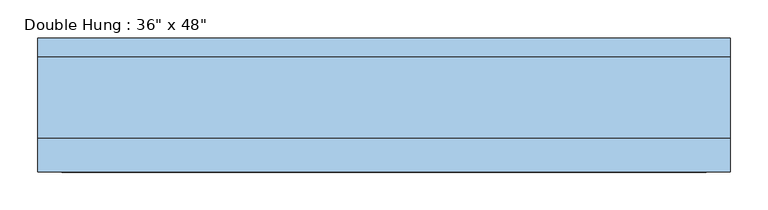
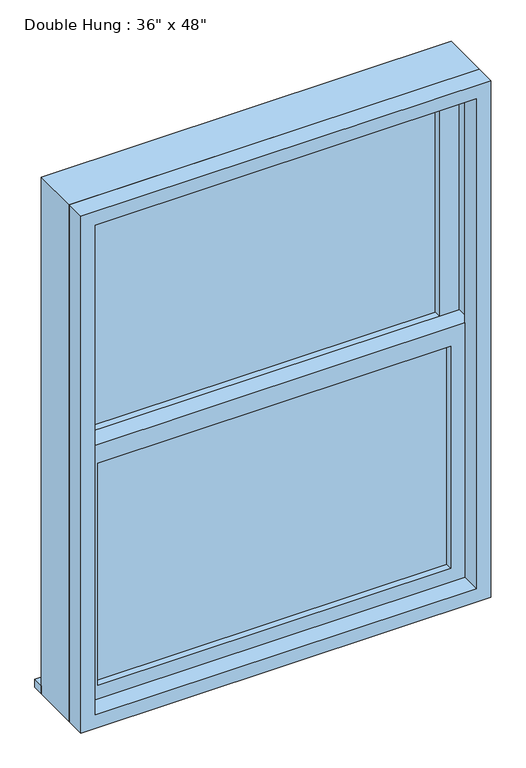
"""IFC4 building model written with IfcOpenShell, lengths in millimetres: window geometry."""

from ifc_helpers import new_model, si_unit, frame, origin, place, context, project, spatial, polyline, outline, extrude, source, transform, mapped, element, save


def window_d6fe7540(model_context):
    return source(origin(), model_context, "Body", "SweptSolid", [
        extrude(outline(polyline([(-393.7, -3.175), (393.7, -3.175), (393.7, -15.875), (-393.7, -15.875), (-393.7, -3.175)])), frame((0.0, 0.0, 977.9), z_axis=(0.0, 0.0, 1.0), x_axis=(1.0, 0.0, 0.0)), (0.0, 0.0, 1.0), 523.875),
        extrude(outline(polyline([(1546.225, -438.15), (933.45, -438.15), (933.45, 438.15), (1546.225, 438.15), (1546.225, -438.15)]), holes=[polyline([(1501.775, -393.7), (1501.775, 393.7), (977.9, 393.7), (977.9, -393.7), (1501.775, -393.7)])]), frame((0.0, -31.75, 0.0), z_axis=(0.0, 1.0, 0.0), x_axis=(0.0, 0.0, 1.0)), (0.0, 0.0, 1.0), 44.45),
        extrude(outline(polyline([(-457.2, 101.6), (457.2, 101.6), (457.2, 76.2), (-457.2, 76.2), (-457.2, 101.6)])), frame((0.0, 0.0, 914.4), z_axis=(0.0, 0.0, 1.0), x_axis=(1.0, 0.0, 0.0)), (0.0, 0.0, 1.0), 19.05),
        extrude(outline(polyline([(393.7, 28.575), (-393.7, 28.575), (-393.7, 41.275), (393.7, 41.275), (393.7, 28.575)])), frame((0.0, 0.0, 1546.225), z_axis=(0.0, 0.0, 1.0), x_axis=(1.0, 0.0, 0.0)), (0.0, 0.0, 1.0), 523.875),
        extrude(outline(polyline([(2114.55, -438.15), (1501.775, -438.15), (1501.775, 438.15), (2114.55, 438.15), (2114.55, -438.15)]), holes=[polyline([(2070.1, -393.7), (2070.1, 393.7), (1546.225, 393.7), (1546.225, -393.7), (2070.1, -393.7)])]), frame((0.0, 12.7, 0.0), z_axis=(0.0, 1.0, 0.0), x_axis=(0.0, 0.0, 1.0)), (0.0, 0.0, 1.0), 44.45),
        extrude(outline(polyline([(2133.6, -457.2), (914.4, -457.2), (914.4, 457.2), (2133.6, 457.2), (2133.6, -457.2)]), holes=[polyline([(2101.85, -425.45), (2101.85, 425.45), (946.15, 425.45), (946.15, -425.45), (2101.85, -425.45)])]), frame((0.0, -76.2, 0.0), z_axis=(0.0, 1.0, 0.0), x_axis=(0.0, 0.0, 1.0)), (0.0, 0.0, 1.0), 44.45),
        extrude(outline(polyline([(2133.6, 457.2), (2133.6, -457.2), (914.4, -457.2), (914.4, 457.2), (2133.6, 457.2)]), holes=[polyline([(2114.55, 438.15), (933.45, 438.15), (933.45, -438.15), (2114.55, -438.15), (2114.55, 438.15)])]), frame((0.0, -31.75, 0.0), z_axis=(0.0, 1.0, 0.0), x_axis=(0.0, 0.0, 1.0)), (0.0, 0.0, 1.0), 107.95),
    ])


if __name__ == "__main__":
    model = new_model("IFC4")
    model_context = context("Model", 3, world=origin())
    ifc_project = project(units=[si_unit("LENGTHUNIT", "METRE", prefix="MILLI")], contexts=[model_context])
    site = spatial("IfcSite", under=ifc_project)
    building = spatial("IfcBuilding", under=site)
    placement = place(None, origin())
    window_shape = window_d6fe7540(model_context)
    element("IfcWindow", 1, ObjectType="Double Hung : 36\" x 48\"", at=placement, inside=building, context=model_context, shape_type="MappedRepresentation", body=[
        mapped(window_shape, transform((0.0, 0.0, 0.0), x_axis=(1.0, 0.0, 0.0), y_axis=(0.0, 1.0, 0.0), z_axis=(0.0, 0.0, 1.0))),
    ])
    save(model, "model.ifc")
